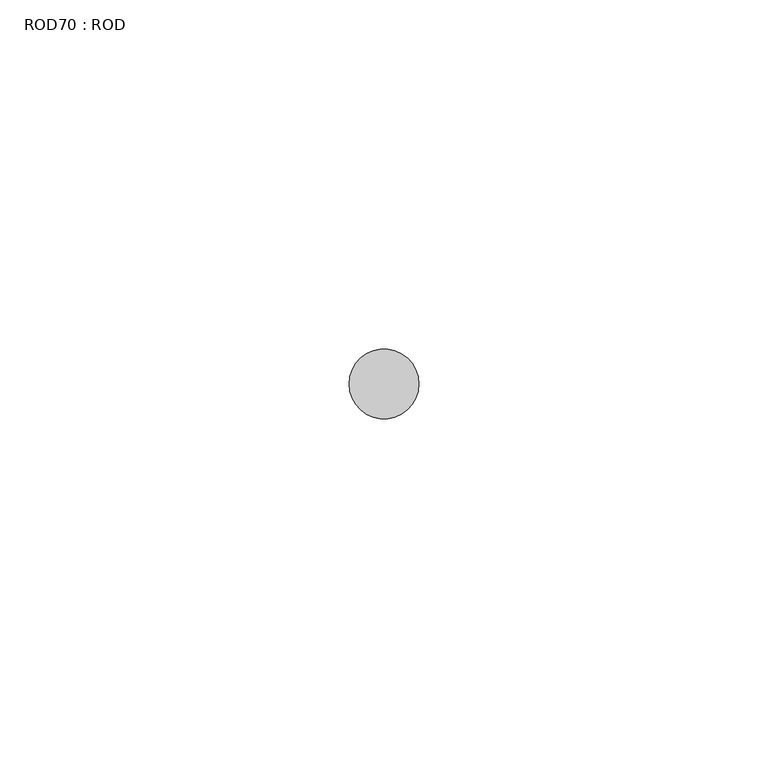
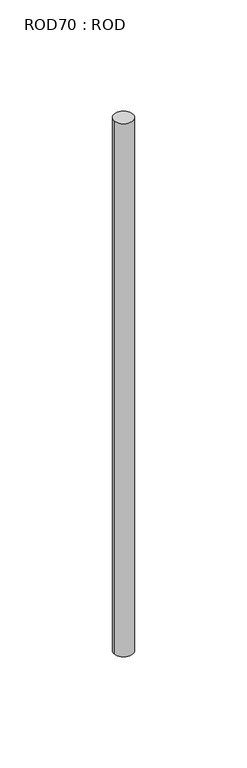
"""IFC4 building model written with IfcOpenShell, lengths in millimetres: proxy geometry, ROD70 : ROD."""

from ifc_helpers import new_model, si_unit, point, frame, frame_2d, origin, place, context, project, spatial, circle_curve, trimmed, segment, composite_curve, outline, extrude, source, transform, mapped, element, save


def rod70_rod_737f10b2(model_context):
    return source(origin(), model_context, "Body", "SweptSolid", [
        extrude(outline(composite_curve([segment(trimmed(circle_curve(frame_2d((7199.7673324, 1031.8951272)), 5.0), [point((7194.7673324, 1031.8951272))], [point((7204.7673324, 1031.8951272))], False, "CARTESIAN"), True, "CONTINUOUS"), segment(trimmed(circle_curve(frame_2d((7199.7673324, 1031.8951272)), 5.0), [point((7204.7673324, 1031.8951272))], [point((7194.7673324, 1031.8951272))], False, "CARTESIAN"), True, "CONTINUOUS")], self_intersect=False)), frame((0.0, 0.0, -108.6608845), z_axis=(0.0, 0.0, 1.0), x_axis=(1.0, 0.0, 0.0)), (0.0, 0.0, 1.0), 298.9028972),
    ])


if __name__ == "__main__":
    model = new_model("IFC4")
    model_context = context("Model", 3, world=origin())
    ifc_project = project(units=[si_unit("LENGTHUNIT", "METRE", prefix="MILLI")], contexts=[model_context])
    site = spatial("IfcSite", under=ifc_project)
    building = spatial("IfcBuilding", under=site)
    placement = place(None, origin())
    rod70_rod_shape = rod70_rod_737f10b2(model_context)
    element("IfcBuildingElementProxy", 1, Name="ROD70 : ROD", ObjectType="ROD70 : ROD", at=placement, inside=building, context=model_context, shape_type="MappedRepresentation", body=[
        mapped(rod70_rod_shape, transform((0.0, 0.0, 0.0), x_axis=(1.0, 0.0, 0.0), y_axis=(0.0, 1.0, 0.0), z_axis=(0.0, 0.0, 1.0))),
    ])
    save(model, "model.ifc")
